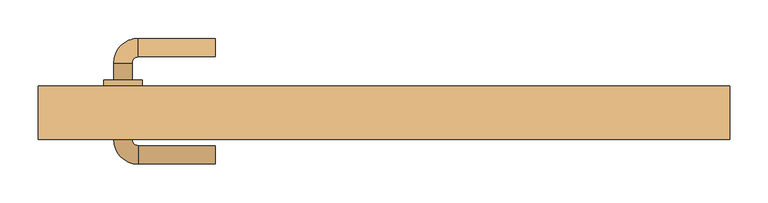
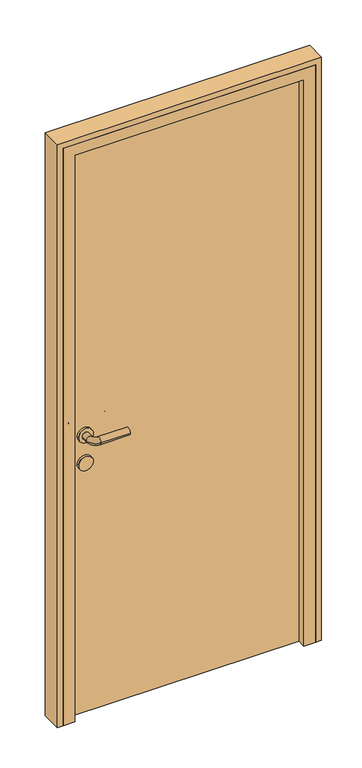
"""IFC4 building model written with IfcOpenShell, lengths in millimetres: door geometry."""

from ifc_helpers import new_model, si_unit, point, frame, frame_2d, origin, origin_with_axes, place, context, project, spatial, polyline, circle_curve, ellipse_curve, trimmed, segment, composite_curve, outline, extrude, faceted_brep, source, transform, mapped, element, save
from ifc_brep_helpers import plane_surface, cylinder_surface, revolved_surface, advanced_brep


def door_523189c1(model_context):
    return source(origin(), model_context, "Body", "SolidModel", [
        advanced_brep(
        [(-220.0, 187.0, 1000.0), (-220.0, 163.0, 1000.0), (-320.0, 187.0, 1000.0), (-320.0, 163.0, 1000.0), (-352.0, 155.0, 1000.0), (-328.0, 155.0, 1000.0), (-352.0, 133.0, 1000.0), (-328.0, 133.0, 1000.0), (-352.0, 55.0, 1000.0), (-328.0, 55.0, 1000.0), (-328.0, 77.0, 1000.0), (-352.0, 77.0, 1000.0), (-320.0, 23.0, 1000.0), (-320.0, 47.0, 1000.0), (-220.0, 23.0, 1000.0), (-220.0, 47.0, 1000.0), (-365.0, 133.0, 1000.0), (-315.0, 133.0, 1000.0), (-365.0, 77.0, 1000.0), (-315.0, 77.0, 1000.0)],
        [
            (0, 1, circle_curve(frame((-220.0, 175.0, 1000.0), z_axis=(1.0, 0.0, 0.0), x_axis=(0.0, -1.0, 0.0)), 12.0)),
            (1, 0, circle_curve(frame((-220.0, 175.0, 1000.0), z_axis=(1.0, 0.0, 0.0), x_axis=(0.0, -1.0, 0.0)), 12.0)),
            (0, 2),
            (2, 3, circle_curve(frame((-320.0, 175.0, 1000.0), z_axis=(1.0, 0.0, 0.0), x_axis=(0.0, -1.0, 0.0)), 12.0)),
            (3, 1),
            (3, 2, circle_curve(frame((-320.0, 175.0, 1000.0), z_axis=(1.0, 0.0, 0.0), x_axis=(0.0, -1.0, 0.0)), 12.0)),
            (2, 4, circle_curve(frame((-320.0, 155.0, 1000.0), z_axis=(0.0, 0.0, 1.0), x_axis=(0.0, 1.0, 0.0)), 32.0)),
            (4, 5, circle_curve(frame((-340.0, 155.0, 1000.0), z_axis=(0.0, 1.0, 0.0), x_axis=(1.0, 0.0, 0.0)), 12.0)),
            (5, 3, circle_curve(frame((-320.0, 155.0, 1000.0), z_axis=(0.0, 0.0, -1.0), x_axis=(0.0, 1.0, 0.0)), 8.0)),
            (5, 4, circle_curve(frame((-340.0, 155.0, 1000.0), z_axis=(0.0, 1.0, 0.0), x_axis=(1.0, 0.0, 0.0)), 12.0)),
            (4, 6),
            (6, 7, circle_curve(frame((-340.0, 133.0, 1000.0), z_axis=(0.0, 1.0, 0.0), x_axis=(1.0, 0.0, 0.0)), 12.0)),
            (7, 5),
            (8, 9, circle_curve(frame((-340.0, 55.0, 1000.0), z_axis=(0.0, 1.0, 0.0), x_axis=(1.0, 0.0, 0.0)), 12.0)),
            (9, 10),
            (10, 11, circle_curve(frame((-340.0, 77.0, 1000.0), z_axis=(0.0, -1.0, 0.0), x_axis=(1.0, 0.0, 0.0)), 12.0)),
            (11, 8),
            (7, 6, circle_curve(frame((-340.0, 133.0, 1000.0), z_axis=(0.0, 1.0, 0.0), x_axis=(1.0, 0.0, 0.0)), 12.0)),
            (9, 8, circle_curve(frame((-340.0, 55.0, 1000.0), z_axis=(0.0, 1.0, 0.0), x_axis=(1.0, 0.0, 0.0)), 12.0)),
            (11, 10, circle_curve(frame((-340.0, 77.0, 1000.0), z_axis=(0.0, -1.0, 0.0), x_axis=(1.0, 0.0, 0.0)), 12.0)),
            (8, 12, circle_curve(frame((-320.0, 55.0, 1000.0), z_axis=(0.0, 0.0, 1.0), x_axis=(-1.0, 0.0, 0.0)), 32.0)),
            (12, 13, circle_curve(frame((-320.0, 35.0, 1000.0), z_axis=(-1.0, 0.0, 0.0), x_axis=(0.0, 1.0, 0.0)), 12.0)),
            (13, 9, circle_curve(frame((-320.0, 55.0, 1000.0), z_axis=(0.0, 0.0, -1.0), x_axis=(-1.0, 0.0, 0.0)), 8.0)),
            (13, 12, circle_curve(frame((-320.0, 35.0, 1000.0), z_axis=(-1.0, 0.0, 0.0), x_axis=(0.0, 1.0, 0.0)), 12.0)),
            (14, 15, circle_curve(frame((-220.0, 35.0, 1000.0), z_axis=(1.0, 0.0, 0.0), x_axis=(0.0, 1.0, 0.0)), 12.0)),
            (15, 14, circle_curve(frame((-220.0, 35.0, 1000.0), z_axis=(1.0, 0.0, 0.0), x_axis=(0.0, 1.0, 0.0)), 12.0)),
            (12, 14),
            (15, 13),
            (16, 17, circle_curve(frame((-340.0, 133.0, 1000.0), z_axis=(0.0, 1.0, 0.0), x_axis=(1.0, 0.0, 0.0)), 25.0)),
            (17, 16, circle_curve(frame((-340.0, 133.0, 1000.0), z_axis=(0.0, 1.0, 0.0), x_axis=(1.0, 0.0, 0.0)), 25.0)),
            (18, 19, circle_curve(frame((-340.0, 77.0, 1000.0), z_axis=(0.0, -1.0, 0.0), x_axis=(1.0, 0.0, 0.0)), 25.0)),
            (19, 18, circle_curve(frame((-340.0, 77.0, 1000.0), z_axis=(0.0, -1.0, 0.0), x_axis=(1.0, 0.0, 0.0)), 25.0)),
            (17, 19),
            (18, 16),
        ],
        [
            plane_surface(frame((-220.0, 175.0, 1000.0), z_axis=(1.0, 0.0, 0.0), x_axis=(0.0, 0.0, 1.0))),
            cylinder_surface(frame((-220.0, 175.0, 1000.0), z_axis=(1.0, 0.0, 0.0), x_axis=(0.0, -1.0, 0.0)), 12.0),
            revolved_surface(trimmed(ellipse_curve(frame((-320.0, 175.0, 1000.0), z_axis=(1.0, 0.0, 0.0), x_axis=(0.0, -1.0, 0.0)), 12.0, 12.0), [point((-320.0, 187.0, 1000.0))], [point((-320.0, 163.0, 1000.0))], True, "CARTESIAN"), (-320.0, 155.0, 1000.0), (0.0, 0.0, 1.0)),
            revolved_surface(trimmed(ellipse_curve(frame((-320.0, 175.0, 1000.0), z_axis=(1.0, 0.0, 0.0), x_axis=(0.0, -1.0, 0.0)), 12.0, 12.0), [point((-320.0, 163.0, 1000.0))], [point((-320.0, 187.0, 1000.0))], True, "CARTESIAN"), (-320.0, 155.0, 1000.0), (0.0, 0.0, 1.0)),
            cylinder_surface(frame((-340.0, 155.0, 1000.0), z_axis=(0.0, 1.0, 0.0), x_axis=(1.0, 0.0, 0.0)), 12.0),
            revolved_surface(trimmed(ellipse_curve(frame((-340.0, 55.0, 1000.0), z_axis=(0.0, 1.0, 0.0), x_axis=(1.0, 0.0, 0.0)), 12.0, 12.0), [point((-352.0, 55.0, 1000.0))], [point((-328.0, 55.0, 1000.0))], True, "CARTESIAN"), (-320.0, 55.0, 1000.0), (0.0, 0.0, 1.0)),
            revolved_surface(trimmed(ellipse_curve(frame((-340.0, 55.0, 1000.0), z_axis=(0.0, 1.0, 0.0), x_axis=(1.0, 0.0, 0.0)), 12.0, 12.0), [point((-328.0, 55.0, 1000.0))], [point((-352.0, 55.0, 1000.0))], True, "CARTESIAN"), (-320.0, 55.0, 1000.0), (0.0, 0.0, 1.0)),
            plane_surface(frame((-220.0, 35.0, 1000.0), z_axis=(1.0, 0.0, 0.0), x_axis=(0.0, 0.0, 1.0))),
            cylinder_surface(frame((-320.0, 35.0, 1000.0), z_axis=(-1.0, 0.0, 0.0), x_axis=(0.0, 1.0, 0.0)), 12.0),
            plane_surface(frame((-315.0, 133.0, 1000.0), z_axis=(0.0, 1.0, 0.0), x_axis=(0.0, 0.0, -1.0))),
            plane_surface(frame((-315.0, 77.0, 1000.0), z_axis=(0.0, -1.0, 0.0), x_axis=(0.0, 0.0, 1.0))),
            cylinder_surface(frame((-340.0, 133.0, 1000.0), z_axis=(0.0, -1.0, 0.0), x_axis=(1.0, 0.0, 0.0)), 25.0),
        ],
        [
            (0, [[1, 2]]),
            (1, [[-1, 3, 4, 5]]),
            (1, [[-2, -5, 6, -3]]),
            (2, [[-4, 7, 8, 9]]),
            (3, [[-6, -9, 10, -7]]),
            (4, [[-8, 11, 12, 13]]),
            (4, [[14, 15, 16, 17]]),
            (4, [[-10, -13, 18, -11]]),
            (4, [[19, -17, 20, -15]]),
            (5, [[-14, 21, 22, 23]]),
            (6, [[-19, -23, 24, -21]]),
            (7, [[25, 26]]),
            (8, [[-22, 27, -26, 28]]),
            (8, [[-24, -28, -25, -27]]),
            (9, [[29, 30], [-12, -18]]),
            (10, [[31, 32], [-16, -20]]),
            (11, [[-30, 33, -31, 34]]),
            (11, [[-29, -34, -32, -33]]),
        ],
    ),
        extrude(outline(composite_curve([segment(trimmed(circle_curve(frame_2d((900.0, -340.0)), 25.0), [point((900.0, -365.0))], [point((900.0, -315.0))], False, "CARTESIAN"), True, "CONTINUOUS"), segment(trimmed(circle_curve(frame_2d((900.0, -340.0)), 25.0), [point((900.0, -315.0))], [point((900.0, -365.0))], False, "CARTESIAN"), True, "CONTINUOUS")], self_intersect=False)), frame((0.0, 77.0, 0.0), z_axis=(0.0, 1.0, 0.0), x_axis=(0.0, 0.0, 1.0)), (0.0, 0.0, 1.0), 56.0),
        extrude(outline(polyline([(400.0, 85.0), (-400.0, 85.0), (-400.0, 125.0), (400.0, 125.0), (400.0, 85.0)])), origin_with_axes(), (0.0, 0.0, 1.0), 2050.0),
        extrude(outline(polyline([(0.0, 450.0), (2100.0, 450.0), (2100.0, -450.0), (0.0, -450.0), (0.0, -430.0), (2080.0, -430.0), (2080.0, 430.0), (0.0, 430.0), (0.0, 450.0)])), frame((0.0, 55.0, 0.0), z_axis=(0.0, 1.0, 0.0), x_axis=(0.0, 0.0, 1.0)), (0.0, 0.0, 1.0), 70.0),
        faceted_brep([(-430.0, 55.0, 0.0), (-430.0, 125.0, 0.0), (-400.0, 125.0, 0.0), (-400.0, 85.0, 0.0), (-390.0, 85.0, 0.0), (-390.0, 55.0, 0.0), (-430.0, 55.0, 2080.0), (-430.0, 125.0, 2080.0), (430.0, 125.0, 2080.0), (430.0, 125.0, 0.0), (400.0, 125.0, 0.0), (400.0, 125.0, 2050.0), (-400.0, 125.0, 2050.0), (-400.0, 85.0, 2050.0), (400.0, 85.0, 2050.0), (400.0, 85.0, 0.0), (390.0, 85.0, 0.0), (390.0, 85.0, 2040.0), (-390.0, 85.0, 2040.0), (-390.0, 55.0, 2040.0), (390.0, 55.0, 2040.0), (390.0, 55.0, 0.0), (430.0, 55.0, 0.0), (430.0, 55.0, 2080.0)], [[[0, 1, 2, 3, 4, 5]], [[1, 0, 6, 7]], [[2, 1, 7, 8, 9, 10, 11, 12]], [[3, 2, 12, 13]], [[4, 3, 13, 14, 15, 16, 17, 18]], [[5, 4, 18, 19]], [[0, 5, 19, 20, 21, 22, 23, 6]], [[7, 6, 23, 8]], [[13, 12, 11, 14]], [[19, 18, 17, 20]], [[22, 21, 16, 15, 10, 9]], [[8, 23, 22, 9]], [[14, 11, 10, 15]], [[20, 17, 16, 21]]]),
    ])


if __name__ == "__main__":
    model = new_model("IFC4")
    model_context = context("Model", 3, world=origin())
    ifc_project = project(units=[si_unit("LENGTHUNIT", "METRE", prefix="MILLI")], contexts=[model_context])
    site = spatial("IfcSite", under=ifc_project)
    building = spatial("IfcBuilding", under=site)
    placement = place(None, origin())
    door_shape = door_523189c1(model_context)
    element("IfcDoor", 1, at=placement, inside=building, context=model_context, shape_type="MappedRepresentation", body=[
        mapped(door_shape, transform((0.0, 0.0, 0.0), x_axis=(1.0, 0.0, 0.0), y_axis=(0.0, 1.0, 0.0), z_axis=(0.0, 0.0, 1.0))),
    ])
    save(model, "model.ifc")
